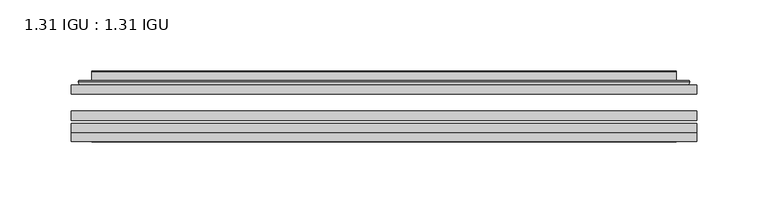
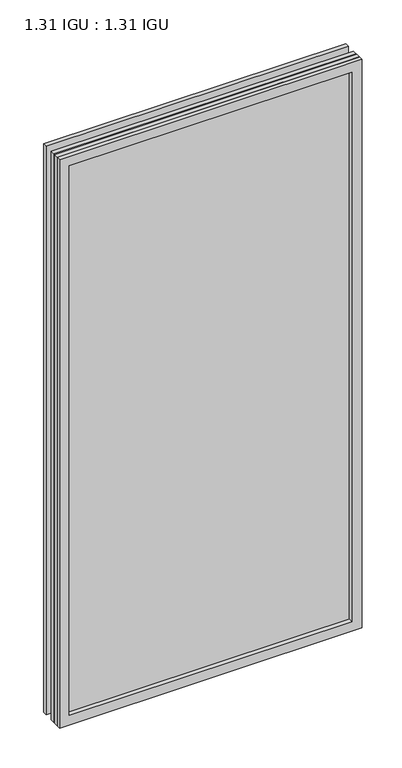
"""IFC4 building model written with IfcOpenShell, lengths in millimetres: plate geometry, 1.31 IGU : 1.31 IGU."""

from ifc_helpers import new_model, si_unit, frame, origin, place, context, project, spatial, polyline, ellipse_curve, outline, extrude, faceted_brep, source, transform, mapped, element, save
from ifc_brep_helpers import plane_surface, cylinder_surface, advanced_brep


def plate_1_31_igu_1_31_igu_9644d8b1(model_context):
    return source(origin(), model_context, "Body", "SolidModel", [
        extrude(outline(polyline([(219.089175, -63.59525), (219.089175, -69.94525), (-219.075, -69.94525), (-219.075, -63.59525), (219.089175, -63.59525)])), frame((0.0, 0.0, -14.2875), z_axis=(0.0, 0.0, 1.0), x_axis=(1.0, 0.0, 0.0)), (0.0, 0.0, 1.0), 869.9537979),
        extrude(outline(polyline([(-219.075, -78.58125), (-219.075, -72.230745), (219.089175, -72.230745), (219.089175, -78.58125), (-219.075, -78.58125)])), frame((0.0, 0.0, -14.2875), z_axis=(0.0, 0.0, 1.0), x_axis=(1.0, 0.0, 0.0)), (0.0, 0.0, 1.0), 869.9537979),
        extrude(outline(polyline([(219.089175, -45.25645), (219.089175, -51.60645), (-219.075, -51.60645), (-219.075, -45.25645), (219.089175, -45.25645)])), frame((0.0, 0.0, -14.2875), z_axis=(0.0, 0.0, 1.0), x_axis=(1.0, 0.0, 0.0)), (0.0, 0.0, 1.0), 869.9537979),
        faceted_brep([(-219.0877, -84.93125, 855.6752), (-219.0877, -78.58125, 855.6752), (-219.0877, -78.58125, -14.3002), (-219.0877, -84.93125, -14.3002), (219.0877, -78.58125, -14.3002), (219.0877, -84.93125, -14.3002), (219.0877, -78.58125, 855.6752), (219.0877, -84.93125, 855.6752), (-203.8897559, -78.58125, 0.8977441), (203.8897559, -78.58125, 0.8977441), (203.8897559, -78.58125, 840.4772559), (-203.8897559, -78.58125, 840.4772559), (-204.7821902, -84.93125, 841.3696902), (204.7821902, -84.93125, 841.3696902), (204.7821902, -84.93125, 0.0053098), (-204.7821902, -84.93125, 0.0053098)], [[[0, 1, 2, 3]], [[3, 2, 4, 5]], [[5, 4, 6, 7]], [[1, 6, 4, 2], [8, 9, 10, 11]], [[7, 6, 1, 0]], [[3, 5, 7, 0], [12, 13, 14, 15]], [[11, 12, 15, 8]], [[8, 15, 14, 9]], [[9, 14, 13, 10]], [[10, 13, 12, 11]]]),
        advanced_brep(
        [(-211.833719, -45.25645, 848.4212191), (-214.1879244, -43.2667833, 850.7754244), (-214.1879244, -43.2667833, -9.4004244), (-211.833719, -45.25645, -7.046219), (-202.7593939, -41.416413, 839.3468939), (-197.8245621, -45.25645, 834.4120621), (-197.8245621, -45.25645, 6.9629379), (-202.7593939, -41.416413, 2.0281061), (-203.7914217, -36.0191819, 840.3789217), (-203.7914217, -36.0191819, 0.9960783), (-204.7820784, -35.6202069, 841.3695784), (-204.7820784, -35.6202069, 0.0054216), (-204.7820784, -42.08145, 841.3695784), (-204.7820784, -42.08145, 0.0054216), (-213.1861349, -42.08145, 849.7736349), (-213.1861349, -42.08145, -8.3986349), (214.1879244, -43.2667833, -9.4004244), (211.833719, -45.25645, -7.046219), (197.8245621, -45.25645, 6.9629379), (202.7593939, -41.416413, 2.0281061), (203.7914217, -36.0191819, 0.9960783), (204.7820784, -35.6202069, 0.0054216), (204.7820784, -42.08145, 0.0054216), (213.1861349, -42.08145, -8.3986349), (214.1879244, -43.2667833, 850.7754244), (211.833719, -45.25645, 848.4212191), (197.8245621, -45.25645, 834.4120621), (202.7593939, -41.416413, 839.3468939), (203.7914217, -36.0191819, 840.3789217), (204.7820784, -35.6202069, 841.3695784), (204.7820784, -42.08145, 841.3695784), (213.1861349, -42.08145, 849.7736349)],
        [
            (0, 1, ellipse_curve(frame((-211.833719, -42.86885, 848.4212191), z_axis=(-0.7071067811865475, 0.0, -0.7071067811865475), x_axis=(-0.7071067811865474, 0.0, 0.7071067811865476)), 3.3765763, 2.3876)),
            (1, 2),
            (2, 3, ellipse_curve(frame((-211.833719, -42.86885, -7.046219), z_axis=(-0.7071067811865475, 0.0, 0.7071067811865475), x_axis=(0.7071067811865474, 0.0, 0.7071067811865476)), 3.3765763, 2.3876)),
            (3, 0),
            (4, 5),
            (5, 6),
            (6, 7),
            (7, 4),
            (8, 4),
            (7, 9),
            (9, 8),
            (10, 8, ellipse_curve(frame((-204.4151219, -36.1384423, 841.0026219), z_axis=(-0.7071067811865475, 0.0, -0.7071067811865475), x_axis=(-0.7071067811865474, 0.0, 0.7071067811865476)), 0.8980256, 0.635)),
            (9, 11, ellipse_curve(frame((-204.4151219, -36.1384423, 0.3723781), z_axis=(-0.7071067811865475, 0.0, 0.7071067811865475), x_axis=(0.7071067811865474, 0.0, 0.7071067811865476)), 0.8980256, 0.635)),
            (11, 10),
            (12, 10),
            (11, 13),
            (13, 12),
            (1, 14, ellipse_curve(frame((-213.1861349, -43.09745, 849.7736349), z_axis=(-0.7071067811865475, 0.0, -0.7071067811865475), x_axis=(-0.7071067811865474, 0.0, 0.7071067811865476)), 1.436841, 1.016)),
            (14, 15),
            (15, 2, ellipse_curve(frame((-213.1861349, -43.09745, -8.3986349), z_axis=(-0.7071067811865475, 0.0, 0.7071067811865475), x_axis=(0.7071067811865474, 0.0, 0.7071067811865476)), 1.436841, 1.016)),
            (2, 16),
            (16, 17, ellipse_curve(frame((211.833719, -42.86885, -7.046219), z_axis=(-0.7071067811865475, 0.0, -0.7071067811865475), x_axis=(-0.7071067811865476, 0.0, 0.7071067811865474)), 3.3765763, 2.3876)),
            (17, 3),
            (6, 18),
            (18, 19),
            (19, 7),
            (19, 20),
            (20, 9),
            (20, 21, ellipse_curve(frame((204.4151219, -36.1384423, 0.3723781), z_axis=(-0.7071067811865475, 0.0, -0.7071067811865475), x_axis=(-0.7071067811865476, 0.0, 0.7071067811865474)), 0.8980256, 0.635)),
            (21, 11),
            (21, 22),
            (22, 13),
            (15, 23),
            (23, 16, ellipse_curve(frame((213.1861349, -43.09745, -8.3986349), z_axis=(-0.7071067811865475, 0.0, -0.7071067811865475), x_axis=(-0.7071067811865476, 0.0, 0.7071067811865474)), 1.436841, 1.016)),
            (16, 24),
            (24, 25, ellipse_curve(frame((211.833719, -42.86885, 848.4212191), z_axis=(0.7071067811865475, 0.0, -0.7071067811865475), x_axis=(-0.7071067811865474, 0.0, -0.7071067811865476)), 3.3765763, 2.3876)),
            (25, 17),
            (18, 26),
            (26, 27),
            (27, 19),
            (27, 28),
            (28, 20),
            (28, 29, ellipse_curve(frame((204.4151219, -36.1384423, 841.0026219), z_axis=(0.7071067811865475, 0.0, -0.7071067811865475), x_axis=(-0.7071067811865474, 0.0, -0.7071067811865476)), 0.8980256, 0.635)),
            (29, 21),
            (29, 30),
            (30, 22),
            (23, 31),
            (31, 24, ellipse_curve(frame((213.1861349, -43.09745, 849.7736349), z_axis=(0.7071067811865475, 0.0, -0.7071067811865475), x_axis=(-0.7071067811865474, 0.0, -0.7071067811865476)), 1.436841, 1.016)),
            (24, 1),
            (0, 25),
            (5, 26),
            (4, 27),
            (8, 28),
            (10, 29),
            (12, 30),
            (14, 31),
        ],
        [
            cylinder_surface(frame((-211.833719, -42.86885, 873.125), z_axis=(0.0, 0.0, 1.0), x_axis=(-1.0, 0.0, 0.0)), 2.3876),
            plane_surface(frame((-197.8245621, -45.25645, 834.4120621), z_axis=(0.6141233906514794, 0.7892100234124821, 0.0), x_axis=(0.0, 0.0, -1.0))),
            plane_surface(frame((-202.7593939, -41.416413, 839.3468939), z_axis=(0.9822050625507729, 0.18781164793386076, 0.0), x_axis=(0.0, 0.0, -1.0))),
            cylinder_surface(frame((-204.4151219, -36.1384423, 873.125), z_axis=(0.0, 0.0, 1.0), x_axis=(-1.0, 0.0, 0.0)), 0.635),
            plane_surface(frame((-204.7820784, -35.6202069, 841.3695784), z_axis=(-1.0, 0.0, 0.0), x_axis=(0.0, 0.0, -1.0))),
            cylinder_surface(frame((-213.1861349, -43.09745, 873.125), z_axis=(0.0, 0.0, 1.0), x_axis=(-1.0, 0.0, 0.0)), 1.016),
            cylinder_surface(frame((-236.5375, -42.86885, -7.046219), z_axis=(-1.0, 0.0, 0.0), x_axis=(0.0, 0.0, -1.0)), 2.3876),
            plane_surface(frame((-197.8245621, -45.25645, 6.9629379), z_axis=(0.0, 0.7892100234124841, 0.6141233906514768), x_axis=(1.0, 0.0, 0.0))),
            plane_surface(frame((-202.7593939, -41.416413, 2.0281061), z_axis=(0.0, 0.18781164793386393, 0.9822050625507723), x_axis=(1.0, 0.0, 0.0))),
            cylinder_surface(frame((-236.5375, -36.1384423, 0.3723781), z_axis=(-1.0, 0.0, 0.0), x_axis=(0.0, 0.0, -1.0)), 0.635),
            plane_surface(frame((-204.7820784, -35.6202069, 0.0054216), z_axis=(0.0, 0.0, -1.0), x_axis=(1.0, 0.0, 0.0))),
            cylinder_surface(frame((-236.5375, -43.09745, -8.3986349), z_axis=(-1.0, 0.0, 0.0), x_axis=(0.0, 0.0, -1.0)), 1.016),
            cylinder_surface(frame((211.833719, -42.86885, -31.75), z_axis=(0.0, 0.0, -1.0), x_axis=(1.0, 0.0, 0.0)), 2.3876),
            plane_surface(frame((197.8245621, -45.25645, 6.9629379), z_axis=(-0.6141233906514743, 0.7892100234124861, 0.0), x_axis=(0.0, 0.0, 1.0))),
            plane_surface(frame((202.7593939, -41.416413, 2.0281061), z_axis=(-0.9822050625507718, 0.1878116479338671, 0.0), x_axis=(0.0, 0.0, 1.0))),
            cylinder_surface(frame((204.4151219, -36.1384423, -31.75), z_axis=(0.0, 0.0, -1.0), x_axis=(1.0, 0.0, 0.0)), 0.635),
            plane_surface(frame((204.7820784, -35.6202069, 0.0054216), z_axis=(1.0, 0.0, 0.0), x_axis=(0.0, 0.0, 1.0))),
            cylinder_surface(frame((213.1861349, -43.09745, -31.75), z_axis=(0.0, 0.0, -1.0), x_axis=(1.0, 0.0, 0.0)), 1.016),
            cylinder_surface(frame((236.5375, -42.86885, 848.4212191), z_axis=(1.0, 0.0, 0.0), x_axis=(0.0, 0.0, 1.0)), 2.3876),
            plane_surface(frame((211.833719, -45.25645, 848.4212191), z_axis=(0.0, -1.0, 0.0), x_axis=(-1.0, 0.0, 0.0))),
            plane_surface(frame((197.8245621, -45.25645, 834.4120621), z_axis=(0.0, 0.7892100234124841, -0.6141233906514768), x_axis=(-1.0, 0.0, 0.0))),
            plane_surface(frame((202.7593939, -41.416413, 839.3468939), z_axis=(0.0, 0.18781164793386393, -0.9822050625507723), x_axis=(-1.0, 0.0, 0.0))),
            cylinder_surface(frame((236.5375, -36.1384423, 841.0026219), z_axis=(1.0, 0.0, 0.0), x_axis=(0.0, 0.0, 1.0)), 0.635),
            plane_surface(frame((204.7820784, -35.6202069, 841.3695784), z_axis=(0.0, 0.0, 1.0), x_axis=(-1.0, 0.0, 0.0))),
            plane_surface(frame((204.7820784, -42.08145, 841.3695784), z_axis=(0.0, 1.0, 0.0), x_axis=(-1.0, 0.0, 0.0))),
            cylinder_surface(frame((236.5375, -43.09745, 849.7736349), z_axis=(1.0, 0.0, 0.0), x_axis=(0.0, 0.0, 1.0)), 1.016),
        ],
        [
            (0, [[1, 2, 3, 4]]),
            (1, [[5, 6, 7, 8]]),
            (2, [[9, -8, 10, 11]]),
            (3, [[12, -11, 13, 14]]),
            (4, [[15, -14, 16, 17]]),
            (5, [[18, 19, 20, -2]]),
            (6, [[-3, 21, 22, 23]]),
            (7, [[-7, 24, 25, 26]]),
            (8, [[-10, -26, 27, 28]]),
            (9, [[-13, -28, 29, 30]]),
            (10, [[-16, -30, 31, 32]]),
            (11, [[-20, 33, 34, -21]]),
            (12, [[-22, 35, 36, 37]]),
            (13, [[-25, 38, 39, 40]]),
            (14, [[-27, -40, 41, 42]]),
            (15, [[-29, -42, 43, 44]]),
            (16, [[-31, -44, 45, 46]]),
            (17, [[-34, 47, 48, -35]]),
            (18, [[-36, 49, -1, 50]]),
            (19, [[-23, -37, -50, -4], [51, -38, -24, -6]]),
            (20, [[-39, -51, -5, 52]]),
            (21, [[-41, -52, -9, 53]]),
            (22, [[-43, -53, -12, 54]]),
            (23, [[-45, -54, -15, 55]]),
            (24, [[56, -47, -33, -19], [-32, -46, -55, -17]]),
            (25, [[-48, -56, -18, -49]]),
        ],
    ),
    ])


if __name__ == "__main__":
    model = new_model("IFC4")
    model_context = context("Model", 3, world=origin())
    ifc_project = project(units=[si_unit("LENGTHUNIT", "METRE", prefix="MILLI")], contexts=[model_context])
    site = spatial("IfcSite", under=ifc_project)
    building = spatial("IfcBuilding", under=site)
    placement = place(None, origin())
    plate_1_31_igu_1_31_igu_shape = plate_1_31_igu_1_31_igu_9644d8b1(model_context)
    element("IfcPlate", 1, ObjectType="1.31 IGU : 1.31 IGU", at=placement, inside=building, context=model_context, shape_type="MappedRepresentation", body=[
        mapped(plate_1_31_igu_1_31_igu_shape, transform((0.0, 0.0, 0.0), x_axis=(1.0, 0.0, 0.0), y_axis=(0.0, 1.0, 0.0), z_axis=(0.0, 0.0, 1.0))),
    ])
    save(model, "model.ifc")
